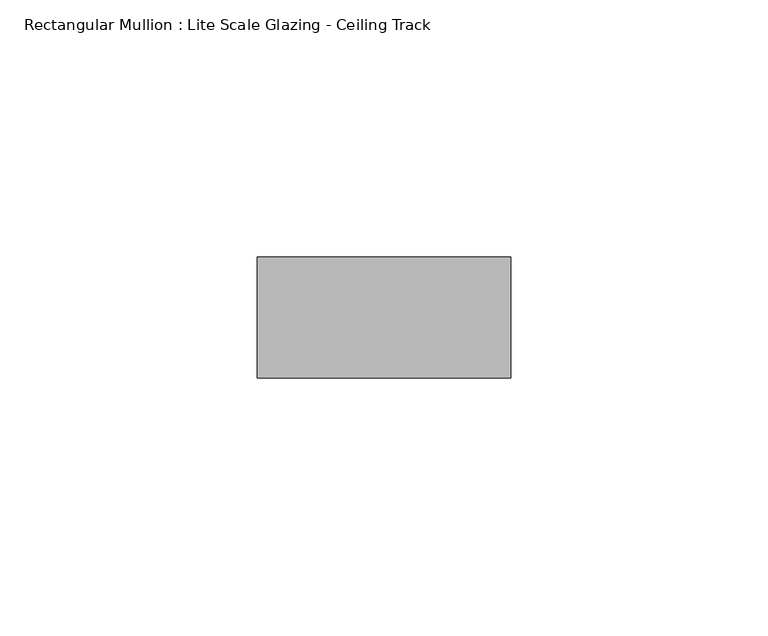
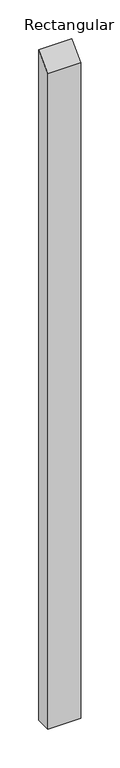
"""IFC4 building model written with IfcOpenShell, lengths in millimetres: member geometry, Rectangular Mullion : Lite Scale Glazing - Ceiling Track."""

from ifc_helpers import new_model, si_unit, frame, origin, place, context, project, spatial, polyline, outline, extrude, source, transform, mapped, element, save


def rectangular_mullion_lite_scale_glazing_ceiling_track_81c92b5e(model_context):
    return source(origin(), model_context, "Body", "SweptSolid", [
        extrude(outline(polyline([(-11.7474999, -11.7474999), (11.7474999, 11.7474999), (11.7474999, -1044.5781149), (-11.7474999, -1044.5781149), (-11.7474999, -11.7474999)])), frame((-49.276, 0.0, 0.0), z_axis=(1.0, 0.0, 0.0), x_axis=(0.0, 1.0, 0.0)), (0.0, 0.0, 1.0), 49.276),
    ])


if __name__ == "__main__":
    model = new_model("IFC4")
    model_context = context("Model", 3, world=origin())
    ifc_project = project(units=[si_unit("LENGTHUNIT", "METRE", prefix="MILLI")], contexts=[model_context])
    site = spatial("IfcSite", under=ifc_project)
    building = spatial("IfcBuilding", under=site)
    placement = place(None, origin())
    rectangular_mullion_lite_scale_glazing_ceiling_track_shape = rectangular_mullion_lite_scale_glazing_ceiling_track_81c92b5e(model_context)
    element("IfcMember", 1, ObjectType="Rectangular Mullion : Lite Scale Glazing - Ceiling Track", at=placement, inside=building, context=model_context, shape_type="MappedRepresentation", body=[
        mapped(rectangular_mullion_lite_scale_glazing_ceiling_track_shape, transform((0.0, 0.0, 0.0), x_axis=(1.0, 0.0, 0.0), y_axis=(0.0, 1.0, 0.0), z_axis=(0.0, 0.0, 1.0))),
    ])
    save(model, "model.ifc")
